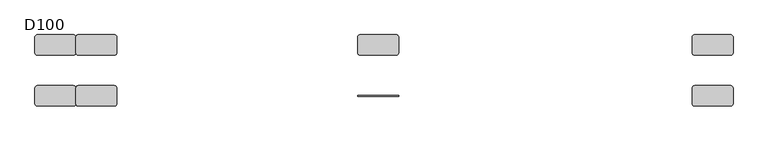
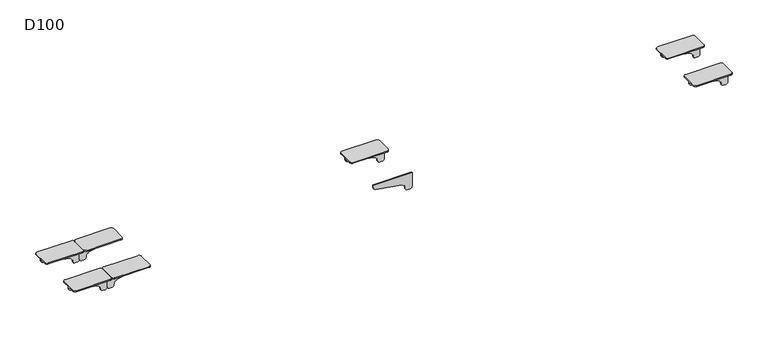
"""IFC4 building model written with IfcOpenShell, lengths in millimetres: furniture geometry, D100."""

from ifc_helpers import new_model, si_unit, point, frame, frame_2d, origin, place, context, project, spatial, polyline, circle_curve, trimmed, segment, composite_curve, outline, extrude, source, transform, mapped, element, save
from ifc_brep_helpers import plane_surface, cylinder_surface, revolved_surface, advanced_brep


def d100_f739d582(model_context):
    return source(origin(), model_context, "Body", "SolidModel", [
        extrude(outline(composite_curve([segment(trimmed(circle_curve(frame_2d((791.9986614, 950.0110687)), 30.0), [point((821.5334099, 955.2740174))], [point((791.3333097, 980.0036896))], True, "CARTESIAN"), True, "CONTINUOUS"), segment(trimmed(circle_curve(frame_2d((791.0006338, 995.0)), 15.0), [point((791.3333097, 980.0036896))], [point((776.0006338, 995.0))], False, "CARTESIAN"), True, "CONTINUOUS"), segment(polyline([(776.0006338, 995.0), (776.0006338, 1010.0)]), True, "CONTINUOUS"), segment(trimmed(circle_curve(frame_2d((791.0006338, 1010.0)), 15.0), [point((776.0006338, 1010.0))], [point((791.0006338, 1025.0))], False, "CARTESIAN"), True, "CONTINUOUS"), segment(polyline([(791.0006338, 1025.0), (886.0006338, 1025.0), (886.0006338, 765.0), (872.1904661, 765.0)]), True, "CONTINUOUS"), segment(trimmed(circle_curve(frame_2d((872.1904661, 785.0)), 20.0), [point((872.1904661, 765.0))], [point((852.5006338, 781.4913675))], False, "CARTESIAN"), True, "CONTINUOUS"), segment(polyline([(852.5006338, 781.4913675), (821.5334099, 955.2740174)]), True, "CONTINUOUS")], self_intersect=False)), frame((0.0, -165.2234902, 0.0), z_axis=(0.0, 1.0, 0.0), x_axis=(0.0, 0.0, 1.0)), (0.0, 0.0, 1.0), 6.0),
        extrude(outline(composite_curve([segment(polyline([(1009.0, 97.2234902), (781.0, 97.2234902)]), True, "CONTINUOUS"), segment(trimmed(circle_curve(frame_2d((781.0, 113.2234902)), 16.0), [point((781.0, 97.2234902))], [point((765.0, 113.2234902))], False, "CARTESIAN"), True, "CONTINUOUS"), segment(polyline([(765.0, 113.2234902), (765.0, 211.2234902)]), True, "CONTINUOUS"), segment(trimmed(circle_curve(frame_2d((781.0, 211.2234902)), 16.0), [point((765.0, 211.2234902))], [point((781.0, 227.2234902))], False, "CARTESIAN"), True, "CONTINUOUS"), segment(polyline([(781.0, 227.2234902), (1009.0, 227.2234902)]), True, "CONTINUOUS"), segment(trimmed(circle_curve(frame_2d((1009.0, 211.2234902)), 16.0), [point((1009.0, 227.2234902))], [point((1025.0, 211.2234902))], False, "CARTESIAN"), True, "CONTINUOUS"), segment(polyline([(1025.0, 211.2234902), (1025.0, 113.2234902)]), True, "CONTINUOUS"), segment(trimmed(circle_curve(frame_2d((1009.0, 113.2234902)), 16.0), [point((1025.0, 113.2234902))], [point((1009.0, 97.2234902))], False, "CARTESIAN"), True, "CONTINUOUS")], self_intersect=False)), frame((0.0, 0.0, 880.0006338), z_axis=(0.0, 0.0, 1.0), x_axis=(1.0, 0.0, 0.0)), (0.0, 0.0, 1.0), 6.0),
        extrude(outline(composite_curve([segment(trimmed(circle_curve(frame_2d((791.9986614, 950.0110687)), 30.0), [point((821.5334099, 955.2740174))], [point((791.3333097, 980.0036896))], True, "CARTESIAN"), True, "CONTINUOUS"), segment(trimmed(circle_curve(frame_2d((791.0006338, 995.0)), 15.0), [point((791.3333097, 980.0036896))], [point((776.0006338, 995.0))], False, "CARTESIAN"), True, "CONTINUOUS"), segment(polyline([(776.0006338, 995.0), (776.0006338, 1010.0)]), True, "CONTINUOUS"), segment(trimmed(circle_curve(frame_2d((791.0006338, 1010.0)), 15.0), [point((776.0006338, 1010.0))], [point((791.0006338, 1025.0))], False, "CARTESIAN"), True, "CONTINUOUS"), segment(polyline([(791.0006338, 1025.0), (886.0006338, 1025.0), (886.0006338, 765.0), (872.1904661, 765.0)]), True, "CONTINUOUS"), segment(trimmed(circle_curve(frame_2d((872.1904661, 785.0)), 20.0), [point((872.1904661, 765.0))], [point((852.5006338, 781.4913675))], False, "CARTESIAN"), True, "CONTINUOUS"), segment(polyline([(852.5006338, 781.4913675), (821.5334099, 955.2740174)]), True, "CONTINUOUS")], self_intersect=False)), frame((0.0, 159.2234902, 0.0), z_axis=(0.0, 1.0, 0.0), x_axis=(0.0, 0.0, 1.0)), (0.0, 0.0, 1.0), 6.0),
        advanced_brep(
        [(3079.2740174, -165.2234902, 821.5334099), (3104.0036896, -165.2234902, 791.3333097), (3119.0, -165.2234902, 776.0006338), (3134.0, -165.2234902, 776.0006338), (3149.0, -165.2234902, 791.0006338), (3149.0, -165.2234902, 880.0006338), (2889.0, -165.2234902, 880.0006338), (2889.0, -165.2234902, 872.1904661), (2905.4913675, -165.2234902, 852.5006338), (3079.2740174, -159.2234902, 821.5334099), (2905.4913675, -159.2234902, 852.5006338), (2889.0, -159.2234902, 872.1904661), (2889.0, -159.2234902, 880.0006338), (3149.0, -159.2234902, 880.0006338), (3149.0, -159.2234902, 791.0006338), (3134.0, -159.2234902, 776.0006338), (3119.0, -159.2234902, 776.0006338), (3104.0036896, -159.2234902, 791.3333097), (3149.0, -113.2234902, 880.0006338), (3149.0, -113.2234902, 886.0006338), (3149.0, -211.2234902, 886.0006338), (3149.0, -211.2234902, 880.0006338), (3133.0, -97.2234902, 886.0006338), (2905.0, -97.2234902, 886.0006338), (2889.0, -113.2234902, 886.0006338), (2889.0, -211.2234902, 886.0006338), (2905.0, -227.2234902, 886.0006338), (3133.0, -227.2234902, 886.0006338), (2889.0, -113.2234902, 880.0006338), (2889.0, -211.2234902, 880.0006338), (3133.0, -97.2234902, 880.0006338), (2905.0, -97.2234902, 880.0006338), (3133.0, -227.2234902, 880.0006338), (2905.0, -227.2234902, 880.0006338)],
        [
            (0, 1, circle_curve(frame((3074.0110687, -165.2234902, 791.9986614), z_axis=(0.0, 1.0, 0.0), x_axis=(1.0, 0.0, 0.0)), 30.0)),
            (1, 2, circle_curve(frame((3119.0, -165.2234902, 791.0006338), z_axis=(0.0, -1.0, 0.0), x_axis=(1.0, 0.0, 0.0)), 15.0)),
            (2, 3),
            (3, 4, circle_curve(frame((3134.0, -165.2234902, 791.0006338), z_axis=(0.0, -1.0, 0.0), x_axis=(1.0, 0.0, 0.0)), 15.0)),
            (4, 5),
            (5, 6),
            (6, 7),
            (7, 8, circle_curve(frame((2909.0, -165.2234902, 872.1904661), z_axis=(0.0, -1.0, 0.0), x_axis=(1.0, 0.0, 0.0)), 20.0)),
            (8, 0),
            (9, 10),
            (10, 11, circle_curve(frame((2909.0, -159.2234902, 872.1904661), z_axis=(0.0, 1.0, 0.0), x_axis=(1.0, 0.0, 0.0)), 20.0)),
            (11, 12),
            (12, 13),
            (13, 14),
            (14, 15, circle_curve(frame((3134.0, -159.2234902, 791.0006338), z_axis=(0.0, 1.0, 0.0), x_axis=(1.0, 0.0, 0.0)), 15.0)),
            (15, 16),
            (16, 17, circle_curve(frame((3119.0, -159.2234902, 791.0006338), z_axis=(0.0, 1.0, 0.0), x_axis=(1.0, 0.0, 0.0)), 15.0)),
            (17, 9, circle_curve(frame((3074.0110687, -159.2234902, 791.9986614), z_axis=(0.0, -1.0, 0.0), x_axis=(1.0, 0.0, 0.0)), 30.0)),
            (0, 9),
            (17, 1),
            (4, 14),
            (13, 18),
            (18, 19),
            (19, 20),
            (20, 21),
            (21, 5),
            (19, 22, circle_curve(frame((3133.0, -113.2234902, 886.0006338), z_axis=(0.0, 0.0, 1.0), x_axis=(-1.0, 0.0, 0.0)), 16.0)),
            (22, 23),
            (23, 24, circle_curve(frame((2905.0, -113.2234902, 886.0006338), z_axis=(0.0, 0.0, 1.0), x_axis=(-1.0, 0.0, 0.0)), 16.0)),
            (24, 25),
            (25, 26, circle_curve(frame((2905.0, -211.2234902, 886.0006338), z_axis=(0.0, 0.0, 1.0), x_axis=(-1.0, 0.0, 0.0)), 16.0)),
            (26, 27),
            (27, 20, circle_curve(frame((3133.0, -211.2234902, 886.0006338), z_axis=(0.0, 0.0, 1.0), x_axis=(-1.0, 0.0, 0.0)), 16.0)),
            (24, 28),
            (28, 12),
            (11, 7),
            (6, 29),
            (29, 25),
            (10, 8),
            (16, 2),
            (15, 3),
            (30, 18, circle_curve(frame((3133.0, -113.2234902, 880.0006338), z_axis=(0.0, 0.0, -1.0), x_axis=(-1.0, 0.0, 0.0)), 16.0)),
            (28, 31, circle_curve(frame((2905.0, -113.2234902, 880.0006338), z_axis=(0.0, 0.0, -1.0), x_axis=(-1.0, 0.0, 0.0)), 16.0)),
            (31, 30),
            (21, 32, circle_curve(frame((3133.0, -211.2234902, 880.0006338), z_axis=(0.0, 0.0, -1.0), x_axis=(-1.0, 0.0, 0.0)), 16.0)),
            (32, 33),
            (33, 29, circle_curve(frame((2905.0, -211.2234902, 880.0006338), z_axis=(0.0, 0.0, -1.0), x_axis=(-1.0, 0.0, 0.0)), 16.0)),
            (30, 22),
            (27, 32),
            (26, 33),
            (23, 31),
        ],
        [
            plane_surface(frame((3104.0110687, -165.2234902, 791.9986614), z_axis=(0.0, -1.0, 0.0), x_axis=(0.0, 0.0, -1.0))),
            plane_surface(frame((3104.0110687, -159.2234902, 791.9986614), z_axis=(0.0, 1.0, 0.0), x_axis=(0.0, 0.0, 1.0))),
            revolved_surface(polyline([(3104.0110687, -159.2234902, 791.9986614), (3104.0110687, -165.2234902, 791.9986614)]), (3074.0110687, -159.2234902, 791.9986614), (0.0, 1.0, 0.0)),
            plane_surface(frame((3149.0, -165.2234902, 791.0006338), z_axis=(1.0, 0.0, 0.0), x_axis=(0.0, 1.0, 0.0))),
            plane_surface(frame((3149.0, -165.2234902, 886.0006338), z_axis=(0.0, 0.0, 1.0), x_axis=(0.0, 1.0, 0.0))),
            plane_surface(frame((2889.0, -165.2234902, 886.0006338), z_axis=(-1.0, 0.0, 0.0), x_axis=(0.0, 1.0, 0.0))),
            cylinder_surface(frame((2909.0, -159.2234902, 872.1904661), z_axis=(0.0, -1.0, 0.0), x_axis=(1.0, 0.0, 0.0)), 20.0),
            plane_surface(frame((2905.4913675, -165.2234902, 852.5006338), z_axis=(-0.17543162299464815, 0.0, -0.9844916178685645), x_axis=(0.0, 1.0, 0.0))),
            cylinder_surface(frame((3119.0, -159.2234902, 791.0006338), z_axis=(0.0, -1.0, 0.0), x_axis=(1.0, 0.0, 0.0)), 15.0),
            plane_surface(frame((3119.0, -165.2234902, 776.0006338), z_axis=(0.0, 0.0, -1.0), x_axis=(0.0, 1.0, 0.0))),
            cylinder_surface(frame((3134.0, -159.2234902, 791.0006338), z_axis=(0.0, -1.0, 0.0), x_axis=(1.0, 0.0, 0.0)), 15.0),
            plane_surface(frame((2905.0, -97.2234902, 880.0006338), z_axis=(0.0, 0.0, -1.0), x_axis=(1.0, 0.0, 0.0))),
            cylinder_surface(frame((3133.0, -113.2234902, 880.0006338), z_axis=(0.0, 0.0, 1.0), x_axis=(-1.0, 0.0, 0.0)), 16.0),
            cylinder_surface(frame((3133.0, -211.2234902, 880.0006338), z_axis=(0.0, 0.0, 1.0), x_axis=(-1.0, 0.0, 0.0)), 16.0),
            plane_surface(frame((2905.0, -227.2234902, 886.0006338), z_axis=(0.0, -1.0, 0.0), x_axis=(0.0, 0.0, -1.0))),
            cylinder_surface(frame((2905.0, -211.2234902, 880.0006338), z_axis=(0.0, 0.0, 1.0), x_axis=(-1.0, 0.0, 0.0)), 16.0),
            cylinder_surface(frame((2905.0, -113.2234902, 880.0006338), z_axis=(0.0, 0.0, 1.0), x_axis=(-1.0, 0.0, 0.0)), 16.0),
            plane_surface(frame((3133.0, -97.2234902, 886.0006338), z_axis=(0.0, 1.0, 0.0), x_axis=(0.0, 0.0, -1.0))),
        ],
        [
            (0, [[1, 2, 3, 4, 5, 6, 7, 8, 9]]),
            (1, [[10, 11, 12, 13, 14, 15, 16, 17, 18]]),
            (2, [[-1, 19, -18, 20]]),
            (3, [[21, -14, 22, 23, 24, 25, 26, -5]]),
            (4, [[-24, 27, 28, 29, 30, 31, 32, 33]]),
            (5, [[-30, 34, 35, -12, 36, -7, 37, 38]]),
            (6, [[-8, -36, -11, 39]]),
            (7, [[-9, -39, -10, -19]]),
            (8, [[-2, -20, -17, 40]]),
            (9, [[-3, -40, -16, 41]]),
            (10, [[-4, -41, -15, -21]]),
            (11, [[42, -22, -13, -35, 43, 44]]),
            (11, [[45, 46, 47, -37, -6, -26]]),
            (12, [[-27, -23, -42, 48]]),
            (13, [[-33, 49, -45, -25]]),
            (14, [[-32, 50, -46, -49]]),
            (15, [[-31, -38, -47, -50]]),
            (16, [[-29, 51, -43, -34]]),
            (17, [[-28, -48, -44, -51]]),
        ],
    ),
        advanced_brep(
        [(3079.2740174, 165.2234902, 821.5334099), (2905.4913675, 165.2234902, 852.5006338), (2889.0, 165.2234902, 872.1904661), (2889.0, 165.2234902, 880.0006338), (3149.0, 165.2234902, 880.0006338), (3149.0, 165.2234902, 791.0006338), (3134.0, 165.2234902, 776.0006338), (3119.0, 165.2234902, 776.0006338), (3104.0036896, 165.2234902, 791.3333097), (3079.2740174, 159.2234902, 821.5334099), (3104.0036896, 159.2234902, 791.3333097), (3119.0, 159.2234902, 776.0006338), (3134.0, 159.2234902, 776.0006338), (3149.0, 159.2234902, 791.0006338), (3149.0, 159.2234902, 880.0006338), (2889.0, 159.2234902, 880.0006338), (2889.0, 159.2234902, 872.1904661), (2905.4913675, 159.2234902, 852.5006338), (3149.0, 113.2234902, 886.0006338), (3149.0, 113.2234902, 880.0006338), (3149.0, 211.2234902, 880.0006338), (3149.0, 211.2234902, 886.0006338), (3133.0, 227.2234902, 886.0006338), (2905.0, 227.2234902, 886.0006338), (2889.0, 211.2234902, 886.0006338), (2889.0, 113.2234902, 886.0006338), (2905.0, 97.2234902, 886.0006338), (3133.0, 97.2234902, 886.0006338), (2889.0, 211.2234902, 880.0006338), (2889.0, 113.2234902, 880.0006338), (3133.0, 97.2234902, 880.0006338), (2905.0, 97.2234902, 880.0006338), (2905.0, 227.2234902, 880.0006338), (3133.0, 227.2234902, 880.0006338)],
        [
            (0, 1),
            (1, 2, circle_curve(frame((2909.0, 165.2234902, 872.1904661), z_axis=(0.0, 1.0, 0.0), x_axis=(1.0, 0.0, 0.0)), 20.0)),
            (2, 3),
            (3, 4),
            (4, 5),
            (5, 6, circle_curve(frame((3134.0, 165.2234902, 791.0006338), z_axis=(0.0, 1.0, 0.0), x_axis=(1.0, 0.0, 0.0)), 15.0)),
            (6, 7),
            (7, 8, circle_curve(frame((3119.0, 165.2234902, 791.0006338), z_axis=(0.0, 1.0, 0.0), x_axis=(1.0, 0.0, 0.0)), 15.0)),
            (8, 0, circle_curve(frame((3074.0110687, 165.2234902, 791.9986614), z_axis=(0.0, -1.0, 0.0), x_axis=(1.0, 0.0, 0.0)), 30.0)),
            (9, 10, circle_curve(frame((3074.0110687, 159.2234902, 791.9986614), z_axis=(0.0, 1.0, 0.0), x_axis=(1.0, 0.0, 0.0)), 30.0)),
            (10, 11, circle_curve(frame((3119.0, 159.2234902, 791.0006338), z_axis=(0.0, -1.0, 0.0), x_axis=(1.0, 0.0, 0.0)), 15.0)),
            (11, 12),
            (12, 13, circle_curve(frame((3134.0, 159.2234902, 791.0006338), z_axis=(0.0, -1.0, 0.0), x_axis=(1.0, 0.0, 0.0)), 15.0)),
            (13, 14),
            (14, 15),
            (15, 16),
            (16, 17, circle_curve(frame((2909.0, 159.2234902, 872.1904661), z_axis=(0.0, -1.0, 0.0), x_axis=(1.0, 0.0, 0.0)), 20.0)),
            (17, 9),
            (8, 10),
            (9, 0),
            (18, 19),
            (19, 14),
            (13, 5),
            (4, 20),
            (20, 21),
            (21, 18),
            (21, 22, circle_curve(frame((3133.0, 211.2234902, 886.0006338), z_axis=(0.0, 0.0, 1.0), x_axis=(-1.0, 0.0, 0.0)), 16.0)),
            (22, 23),
            (23, 24, circle_curve(frame((2905.0, 211.2234902, 886.0006338), z_axis=(0.0, 0.0, 1.0), x_axis=(-1.0, 0.0, 0.0)), 16.0)),
            (24, 25),
            (25, 26, circle_curve(frame((2905.0, 113.2234902, 886.0006338), z_axis=(0.0, 0.0, 1.0), x_axis=(-1.0, 0.0, 0.0)), 16.0)),
            (26, 27),
            (27, 18, circle_curve(frame((3133.0, 113.2234902, 886.0006338), z_axis=(0.0, 0.0, 1.0), x_axis=(-1.0, 0.0, 0.0)), 16.0)),
            (24, 28),
            (28, 3),
            (2, 16),
            (15, 29),
            (29, 25),
            (1, 17),
            (7, 11),
            (6, 12),
            (30, 31),
            (31, 29, circle_curve(frame((2905.0, 113.2234902, 880.0006338), z_axis=(0.0, 0.0, -1.0), x_axis=(-1.0, 0.0, 0.0)), 16.0)),
            (19, 30, circle_curve(frame((3133.0, 113.2234902, 880.0006338), z_axis=(0.0, 0.0, -1.0), x_axis=(-1.0, 0.0, 0.0)), 16.0)),
            (28, 32, circle_curve(frame((2905.0, 211.2234902, 880.0006338), z_axis=(0.0, 0.0, -1.0), x_axis=(-1.0, 0.0, 0.0)), 16.0)),
            (32, 33),
            (33, 20, circle_curve(frame((3133.0, 211.2234902, 880.0006338), z_axis=(0.0, 0.0, -1.0), x_axis=(-1.0, 0.0, 0.0)), 16.0)),
            (27, 30),
            (33, 22),
            (32, 23),
            (31, 26),
        ],
        [
            plane_surface(frame((2905.4913675, 165.2234902, 852.5006338), z_axis=(0.0, 1.0, 0.0), x_axis=(-0.9844916178685639, 0.0, 0.17543162299465165))),
            plane_surface(frame((2905.4913675, 159.2234902, 852.5006338), z_axis=(0.0, -1.0, 0.0), x_axis=(0.9844916178685639, 0.0, -0.17543162299465165))),
            revolved_surface(polyline([(3104.0110687, 159.2234902, 791.9986614), (3104.0110687, 165.2234902, 791.9986614)]), (3074.0110687, 159.2234902, 791.9986614), (0.0, -1.0, 0.0)),
            plane_surface(frame((3149.0, 165.2234902, 886.0006338), z_axis=(1.0, 0.0, 0.0), x_axis=(0.0, -1.0, 0.0))),
            plane_surface(frame((2889.0, 165.2234902, 886.0006338), z_axis=(0.0, 0.0, 1.0), x_axis=(0.0, -1.0, 0.0))),
            plane_surface(frame((2889.0, 165.2234902, 872.1904661), z_axis=(-1.0, 0.0, 0.0), x_axis=(0.0, -1.0, 0.0))),
            cylinder_surface(frame((2909.0, 159.2234902, 872.1904661), z_axis=(0.0, 1.0, 0.0), x_axis=(1.0, 0.0, 0.0)), 20.0),
            plane_surface(frame((3079.2740174, 165.2234902, 821.5334099), z_axis=(-0.17543162299465165, 0.0, -0.9844916178685639), x_axis=(0.0, -1.0, 0.0))),
            cylinder_surface(frame((3119.0, 159.2234902, 791.0006338), z_axis=(0.0, 1.0, 0.0), x_axis=(1.0, 0.0, 0.0)), 15.0),
            plane_surface(frame((3134.0, 165.2234902, 776.0006338), z_axis=(0.0, 0.0, -1.0), x_axis=(0.0, -1.0, 0.0))),
            cylinder_surface(frame((3134.0, 159.2234902, 791.0006338), z_axis=(0.0, 1.0, 0.0), x_axis=(1.0, 0.0, 0.0)), 15.0),
            plane_surface(frame((3117.0, 113.2234902, 880.0006338), z_axis=(0.0, 0.0, -1.0), x_axis=(0.0, 1.0, 0.0))),
            cylinder_surface(frame((3133.0, 113.2234902, 880.0006338), z_axis=(0.0, 0.0, 1.0), x_axis=(-1.0, 0.0, 0.0)), 16.0),
            cylinder_surface(frame((3133.0, 211.2234902, 880.0006338), z_axis=(0.0, 0.0, 1.0), x_axis=(-1.0, 0.0, 0.0)), 16.0),
            plane_surface(frame((3133.0, 227.2234902, 886.0006338), z_axis=(0.0, 1.0, 0.0), x_axis=(0.0, 0.0, -1.0))),
            cylinder_surface(frame((2905.0, 211.2234902, 880.0006338), z_axis=(0.0, 0.0, 1.0), x_axis=(-1.0, 0.0, 0.0)), 16.0),
            cylinder_surface(frame((2905.0, 113.2234902, 880.0006338), z_axis=(0.0, 0.0, 1.0), x_axis=(-1.0, 0.0, 0.0)), 16.0),
            plane_surface(frame((2905.0, 97.2234902, 886.0006338), z_axis=(0.0, -1.0, 0.0), x_axis=(0.0, 0.0, -1.0))),
        ],
        [
            (0, [[1, 2, 3, 4, 5, 6, 7, 8, 9]]),
            (1, [[10, 11, 12, 13, 14, 15, 16, 17, 18]]),
            (2, [[-9, 19, -10, 20]]),
            (3, [[21, 22, -14, 23, -5, 24, 25, 26]]),
            (4, [[-26, 27, 28, 29, 30, 31, 32, 33]]),
            (5, [[-30, 34, 35, -3, 36, -16, 37, 38]]),
            (6, [[-2, 39, -17, -36]]),
            (7, [[-1, -20, -18, -39]]),
            (8, [[-8, 40, -11, -19]]),
            (9, [[-7, 41, -12, -40]]),
            (10, [[-6, -23, -13, -41]]),
            (11, [[42, 43, -37, -15, -22, 44]]),
            (11, [[45, 46, 47, -24, -4, -35]]),
            (12, [[-33, 48, -44, -21]]),
            (13, [[-27, -25, -47, 49]]),
            (14, [[-28, -49, -46, 50]]),
            (15, [[-29, -50, -45, -34]]),
            (16, [[-31, -38, -43, 51]]),
            (17, [[-32, -51, -42, -48]]),
        ],
    ),
        advanced_brep(
        [(-955.2740174, 165.2234902, 821.5334099), (-980.0036896, 165.2234902, 791.3333097), (-995.0, 165.2234902, 776.0006338), (-1010.0, 165.2234902, 776.0006338), (-1025.0, 165.2234902, 791.0006338), (-1025.0, 165.2234902, 880.0006338), (-765.0, 165.2234902, 880.0006338), (-765.0, 165.2234902, 872.1904661), (-781.4913675, 165.2234902, 852.5006338), (-955.2740174, 159.2234902, 821.5334099), (-781.4913675, 159.2234902, 852.5006338), (-765.0, 159.2234902, 872.1904661), (-765.0, 159.2234902, 880.0006338), (-1025.0, 159.2234902, 880.0006338), (-1025.0, 159.2234902, 791.0006338), (-1010.0, 159.2234902, 776.0006338), (-995.0, 159.2234902, 776.0006338), (-980.0036896, 159.2234902, 791.3333097), (-1025.0, 113.2234902, 880.0006338), (-1025.0, 113.2234902, 886.0006338), (-1025.0, 211.2234902, 886.0006338), (-1025.0, 211.2234902, 880.0006338), (-1009.0, 97.2234902, 886.0006338), (-781.0, 97.2234902, 886.0006338), (-765.0, 113.2234902, 886.0006338), (-765.0, 211.2234902, 886.0006338), (-781.0, 227.2234902, 886.0006338), (-1009.0, 227.2234902, 886.0006338), (-765.0, 113.2234902, 880.0006338), (-765.0, 211.2234902, 880.0006338), (-1009.0, 97.2234902, 880.0006338), (-781.0, 97.2234902, 880.0006338), (-1009.0, 227.2234902, 880.0006338), (-781.0, 227.2234902, 880.0006338)],
        [
            (0, 1, circle_curve(frame((-950.0110687, 165.2234902, 791.9986614), z_axis=(0.0, -1.0, 0.0), x_axis=(-1.0, 0.0, 0.0)), 30.0)),
            (1, 2, circle_curve(frame((-995.0, 165.2234902, 791.0006338), z_axis=(0.0, 1.0, 0.0), x_axis=(-1.0, 0.0, 0.0)), 15.0)),
            (2, 3),
            (3, 4, circle_curve(frame((-1010.0, 165.2234902, 791.0006338), z_axis=(0.0, 1.0, 0.0), x_axis=(-1.0, 0.0, 0.0)), 15.0)),
            (4, 5),
            (5, 6),
            (6, 7),
            (7, 8, circle_curve(frame((-785.0, 165.2234902, 872.1904661), z_axis=(0.0, 1.0, 0.0), x_axis=(-1.0, 0.0, 0.0)), 20.0)),
            (8, 0),
            (9, 10),
            (10, 11, circle_curve(frame((-785.0, 159.2234902, 872.1904661), z_axis=(0.0, -1.0, 0.0), x_axis=(-1.0, 0.0, 0.0)), 20.0)),
            (11, 12),
            (12, 13),
            (13, 14),
            (14, 15, circle_curve(frame((-1010.0, 159.2234902, 791.0006338), z_axis=(0.0, -1.0, 0.0), x_axis=(-1.0, 0.0, 0.0)), 15.0)),
            (15, 16),
            (16, 17, circle_curve(frame((-995.0, 159.2234902, 791.0006338), z_axis=(0.0, -1.0, 0.0), x_axis=(-1.0, 0.0, 0.0)), 15.0)),
            (17, 9, circle_curve(frame((-950.0110687, 159.2234902, 791.9986614), z_axis=(0.0, 1.0, 0.0), x_axis=(-1.0, 0.0, 0.0)), 30.0)),
            (0, 9),
            (17, 1),
            (4, 14),
            (13, 18),
            (18, 19),
            (19, 20),
            (20, 21),
            (21, 5),
            (19, 22, circle_curve(frame((-1009.0, 113.2234902, 886.0006338), z_axis=(0.0, 0.0, 1.0), x_axis=(1.0, 0.0, 0.0)), 16.0)),
            (22, 23),
            (23, 24, circle_curve(frame((-781.0, 113.2234902, 886.0006338), z_axis=(0.0, 0.0, 1.0), x_axis=(1.0, 0.0, 0.0)), 16.0)),
            (24, 25),
            (25, 26, circle_curve(frame((-781.0, 211.2234902, 886.0006338), z_axis=(0.0, 0.0, 1.0), x_axis=(1.0, 0.0, 0.0)), 16.0)),
            (26, 27),
            (27, 20, circle_curve(frame((-1009.0, 211.2234902, 886.0006338), z_axis=(0.0, 0.0, 1.0), x_axis=(1.0, 0.0, 0.0)), 16.0)),
            (24, 28),
            (28, 12),
            (11, 7),
            (6, 29),
            (29, 25),
            (10, 8),
            (16, 2),
            (15, 3),
            (30, 18, circle_curve(frame((-1009.0, 113.2234902, 880.0006338), z_axis=(0.0, 0.0, -1.0), x_axis=(1.0, 0.0, 0.0)), 16.0)),
            (28, 31, circle_curve(frame((-781.0, 113.2234902, 880.0006338), z_axis=(0.0, 0.0, -1.0), x_axis=(1.0, 0.0, 0.0)), 16.0)),
            (31, 30),
            (21, 32, circle_curve(frame((-1009.0, 211.2234902, 880.0006338), z_axis=(0.0, 0.0, -1.0), x_axis=(1.0, 0.0, 0.0)), 16.0)),
            (32, 33),
            (33, 29, circle_curve(frame((-781.0, 211.2234902, 880.0006338), z_axis=(0.0, 0.0, -1.0), x_axis=(1.0, 0.0, 0.0)), 16.0)),
            (30, 22),
            (27, 32),
            (26, 33),
            (23, 31),
        ],
        [
            plane_surface(frame((-980.0110687, 165.2234902, 791.9986614), z_axis=(0.0, 1.0, 0.0), x_axis=(0.0, 0.0, -1.0))),
            plane_surface(frame((-980.0110687, 159.2234902, 791.9986614), z_axis=(0.0, -1.0, 0.0), x_axis=(0.0, 0.0, 1.0))),
            revolved_surface(polyline([(-980.0110687, 159.2234902, 791.9986614), (-980.0110687, 165.2234902, 791.9986614)]), (-950.0110687, 159.2234902, 791.9986614), (0.0, -1.0, 0.0)),
            plane_surface(frame((-1025.0, 165.2234902, 791.0006338), z_axis=(-1.0, 0.0, 0.0), x_axis=(0.0, -1.0, 0.0))),
            plane_surface(frame((-1025.0, 165.2234902, 886.0006338), z_axis=(0.0, 0.0, 1.0), x_axis=(0.0, -1.0, 0.0))),
            plane_surface(frame((-765.0, 165.2234902, 886.0006338), z_axis=(1.0, 0.0, 0.0), x_axis=(0.0, -1.0, 0.0))),
            cylinder_surface(frame((-785.0, 159.2234902, 872.1904661), z_axis=(0.0, 1.0, 0.0), x_axis=(-1.0, 0.0, 0.0)), 20.0),
            plane_surface(frame((-781.4913675, 165.2234902, 852.5006338), z_axis=(0.17543162299465093, 0.0, -0.9844916178685641), x_axis=(0.0, -1.0, 0.0))),
            cylinder_surface(frame((-995.0, 159.2234902, 791.0006338), z_axis=(0.0, 1.0, 0.0), x_axis=(-1.0, 0.0, 0.0)), 15.0),
            plane_surface(frame((-995.0, 165.2234902, 776.0006338), z_axis=(0.0, 0.0, -1.0), x_axis=(0.0, -1.0, 0.0))),
            cylinder_surface(frame((-1010.0, 159.2234902, 791.0006338), z_axis=(0.0, 1.0, 0.0), x_axis=(-1.0, 0.0, 0.0)), 15.0),
            plane_surface(frame((-781.0, 97.2234902, 880.0006338), z_axis=(0.0, 0.0, -1.0), x_axis=(-1.0, 0.0, 0.0))),
            cylinder_surface(frame((-1009.0, 113.2234902, 880.0006338), z_axis=(0.0, 0.0, 1.0), x_axis=(1.0, 0.0, 0.0)), 16.0),
            cylinder_surface(frame((-1009.0, 211.2234902, 880.0006338), z_axis=(0.0, 0.0, 1.0), x_axis=(1.0, 0.0, 0.0)), 16.0),
            plane_surface(frame((-781.0, 227.2234902, 886.0006338), z_axis=(0.0, 1.0, 0.0), x_axis=(0.0, 0.0, -1.0))),
            cylinder_surface(frame((-781.0, 211.2234902, 880.0006338), z_axis=(0.0, 0.0, 1.0), x_axis=(1.0, 0.0, 0.0)), 16.0),
            cylinder_surface(frame((-781.0, 113.2234902, 880.0006338), z_axis=(0.0, 0.0, 1.0), x_axis=(1.0, 0.0, 0.0)), 16.0),
            plane_surface(frame((-1009.0, 97.2234902, 886.0006338), z_axis=(0.0, -1.0, 0.0), x_axis=(0.0, 0.0, -1.0))),
        ],
        [
            (0, [[1, 2, 3, 4, 5, 6, 7, 8, 9]]),
            (1, [[10, 11, 12, 13, 14, 15, 16, 17, 18]]),
            (2, [[-1, 19, -18, 20]]),
            (3, [[21, -14, 22, 23, 24, 25, 26, -5]]),
            (4, [[-24, 27, 28, 29, 30, 31, 32, 33]]),
            (5, [[-30, 34, 35, -12, 36, -7, 37, 38]]),
            (6, [[-8, -36, -11, 39]]),
            (7, [[-9, -39, -10, -19]]),
            (8, [[-2, -20, -17, 40]]),
            (9, [[-3, -40, -16, 41]]),
            (10, [[-4, -41, -15, -21]]),
            (11, [[42, -22, -13, -35, 43, 44]]),
            (11, [[45, 46, 47, -37, -6, -26]]),
            (12, [[-27, -23, -42, 48]]),
            (13, [[-33, 49, -45, -25]]),
            (14, [[-32, 50, -46, -49]]),
            (15, [[-31, -38, -47, -50]]),
            (16, [[-29, 51, -43, -34]]),
            (17, [[-28, -48, -44, -51]]),
        ],
    ),
        advanced_brep(
        [(-955.2740174, -165.2234902, 821.5334099), (-781.4913675, -165.2234902, 852.5006338), (-765.0, -165.2234902, 872.1904661), (-765.0, -165.2234902, 880.0006338), (-1025.0, -165.2234902, 880.0006338), (-1025.0, -165.2234902, 791.0006338), (-1010.0, -165.2234902, 776.0006338), (-995.0, -165.2234902, 776.0006338), (-980.0036896, -165.2234902, 791.3333097), (-955.2740174, -159.2234902, 821.5334099), (-980.0036896, -159.2234902, 791.3333097), (-995.0, -159.2234902, 776.0006338), (-1010.0, -159.2234902, 776.0006338), (-1025.0, -159.2234902, 791.0006338), (-1025.0, -159.2234902, 880.0006338), (-765.0, -159.2234902, 880.0006338), (-765.0, -159.2234902, 872.1904661), (-781.4913675, -159.2234902, 852.5006338), (-1025.0, -113.2234902, 886.0006338), (-1025.0, -113.2234902, 880.0006338), (-1025.0, -211.2234902, 880.0006338), (-1025.0, -211.2234902, 886.0006338), (-1009.0, -227.2234902, 886.0006338), (-781.0, -227.2234902, 886.0006338), (-765.0, -211.2234902, 886.0006338), (-765.0, -113.2234902, 886.0006338), (-781.0, -97.2234902, 886.0006338), (-1009.0, -97.2234902, 886.0006338), (-765.0, -211.2234902, 880.0006338), (-765.0, -113.2234902, 880.0006338), (-1009.0, -97.2234902, 880.0006338), (-781.0, -97.2234902, 880.0006338), (-781.0, -227.2234902, 880.0006338), (-1009.0, -227.2234902, 880.0006338)],
        [
            (0, 1),
            (1, 2, circle_curve(frame((-785.0, -165.2234902, 872.1904661), z_axis=(0.0, -1.0, 0.0), x_axis=(-1.0, 0.0, 0.0)), 20.0)),
            (2, 3),
            (3, 4),
            (4, 5),
            (5, 6, circle_curve(frame((-1010.0, -165.2234902, 791.0006338), z_axis=(0.0, -1.0, 0.0), x_axis=(-1.0, 0.0, 0.0)), 15.0)),
            (6, 7),
            (7, 8, circle_curve(frame((-995.0, -165.2234902, 791.0006338), z_axis=(0.0, -1.0, 0.0), x_axis=(-1.0, 0.0, 0.0)), 15.0)),
            (8, 0, circle_curve(frame((-950.0110687, -165.2234902, 791.9986614), z_axis=(0.0, 1.0, 0.0), x_axis=(-1.0, 0.0, 0.0)), 30.0)),
            (9, 10, circle_curve(frame((-950.0110687, -159.2234902, 791.9986614), z_axis=(0.0, -1.0, 0.0), x_axis=(-1.0, 0.0, 0.0)), 30.0)),
            (10, 11, circle_curve(frame((-995.0, -159.2234902, 791.0006338), z_axis=(0.0, 1.0, 0.0), x_axis=(-1.0, 0.0, 0.0)), 15.0)),
            (11, 12),
            (12, 13, circle_curve(frame((-1010.0, -159.2234902, 791.0006338), z_axis=(0.0, 1.0, 0.0), x_axis=(-1.0, 0.0, 0.0)), 15.0)),
            (13, 14),
            (14, 15),
            (15, 16),
            (16, 17, circle_curve(frame((-785.0, -159.2234902, 872.1904661), z_axis=(0.0, 1.0, 0.0), x_axis=(-1.0, 0.0, 0.0)), 20.0)),
            (17, 9),
            (8, 10),
            (9, 0),
            (18, 19),
            (19, 14),
            (13, 5),
            (4, 20),
            (20, 21),
            (21, 18),
            (21, 22, circle_curve(frame((-1009.0, -211.2234902, 886.0006338), z_axis=(0.0, 0.0, 1.0), x_axis=(1.0, 0.0, 0.0)), 16.0)),
            (22, 23),
            (23, 24, circle_curve(frame((-781.0, -211.2234902, 886.0006338), z_axis=(0.0, 0.0, 1.0), x_axis=(1.0, 0.0, 0.0)), 16.0)),
            (24, 25),
            (25, 26, circle_curve(frame((-781.0, -113.2234902, 886.0006338), z_axis=(0.0, 0.0, 1.0), x_axis=(1.0, 0.0, 0.0)), 16.0)),
            (26, 27),
            (27, 18, circle_curve(frame((-1009.0, -113.2234902, 886.0006338), z_axis=(0.0, 0.0, 1.0), x_axis=(1.0, 0.0, 0.0)), 16.0)),
            (24, 28),
            (28, 3),
            (2, 16),
            (15, 29),
            (29, 25),
            (1, 17),
            (7, 11),
            (6, 12),
            (30, 31),
            (31, 29, circle_curve(frame((-781.0, -113.2234902, 880.0006338), z_axis=(0.0, 0.0, -1.0), x_axis=(1.0, 0.0, 0.0)), 16.0)),
            (19, 30, circle_curve(frame((-1009.0, -113.2234902, 880.0006338), z_axis=(0.0, 0.0, -1.0), x_axis=(1.0, 0.0, 0.0)), 16.0)),
            (28, 32, circle_curve(frame((-781.0, -211.2234902, 880.0006338), z_axis=(0.0, 0.0, -1.0), x_axis=(1.0, 0.0, 0.0)), 16.0)),
            (32, 33),
            (33, 20, circle_curve(frame((-1009.0, -211.2234902, 880.0006338), z_axis=(0.0, 0.0, -1.0), x_axis=(1.0, 0.0, 0.0)), 16.0)),
            (27, 30),
            (33, 22),
            (32, 23),
            (31, 26),
        ],
        [
            plane_surface(frame((-781.4913675, -165.2234902, 852.5006338), z_axis=(0.0, -1.0000000000000002, 0.0), x_axis=(0.9844916178685641, 0.0, 0.17543162299465093))),
            plane_surface(frame((-781.4913675, -159.2234902, 852.5006338), z_axis=(0.0, 1.0000000000000002, 0.0), x_axis=(-0.9844916178685641, 0.0, -0.17543162299465093))),
            revolved_surface(polyline([(-980.0110687, -159.2234902, 791.9986614), (-980.0110687, -165.2234902, 791.9986614)]), (-950.0110687, -159.2234902, 791.9986614), (0.0, 1.0, 0.0)),
            plane_surface(frame((-1025.0, -165.2234902, 886.0006338), z_axis=(-1.0, 0.0, 0.0), x_axis=(0.0, 1.0, 0.0))),
            plane_surface(frame((-765.0, -165.2234902, 886.0006338), z_axis=(0.0, 0.0, 1.0), x_axis=(0.0, 1.0, 0.0))),
            plane_surface(frame((-765.0, -165.2234902, 872.1904661), z_axis=(1.0, 0.0, 0.0), x_axis=(0.0, 1.0, 0.0))),
            cylinder_surface(frame((-785.0, -159.2234902, 872.1904661), z_axis=(0.0, -1.0, 0.0), x_axis=(-1.0, 0.0, 0.0)), 20.0),
            plane_surface(frame((-955.2740174, -165.2234902, 821.5334099), z_axis=(0.17543162299465093, 0.0, -0.9844916178685641), x_axis=(0.0, 1.0, 0.0))),
            cylinder_surface(frame((-995.0, -159.2234902, 791.0006338), z_axis=(0.0, -1.0, 0.0), x_axis=(-1.0, 0.0, 0.0)), 15.0),
            plane_surface(frame((-1010.0, -165.2234902, 776.0006338), z_axis=(0.0, 0.0, -1.0), x_axis=(0.0, 1.0, 0.0))),
            cylinder_surface(frame((-1010.0, -159.2234902, 791.0006338), z_axis=(0.0, -1.0, 0.0), x_axis=(-1.0, 0.0, 0.0)), 15.0),
            plane_surface(frame((-993.0, -113.2234902, 880.0006338), z_axis=(0.0, 0.0, -1.0), x_axis=(0.0, -1.0, 0.0))),
            cylinder_surface(frame((-1009.0, -113.2234902, 880.0006338), z_axis=(0.0, 0.0, 1.0), x_axis=(1.0, 0.0, 0.0)), 16.0),
            cylinder_surface(frame((-1009.0, -211.2234902, 880.0006338), z_axis=(0.0, 0.0, 1.0), x_axis=(1.0, 0.0, 0.0)), 16.0),
            plane_surface(frame((-1009.0, -227.2234902, 886.0006338), z_axis=(0.0, -1.0, 0.0), x_axis=(0.0, 0.0, -1.0))),
            cylinder_surface(frame((-781.0, -211.2234902, 880.0006338), z_axis=(0.0, 0.0, 1.0), x_axis=(1.0, 0.0, 0.0)), 16.0),
            cylinder_surface(frame((-781.0, -113.2234902, 880.0006338), z_axis=(0.0, 0.0, 1.0), x_axis=(1.0, 0.0, 0.0)), 16.0),
            plane_surface(frame((-781.0, -97.2234902, 886.0006338), z_axis=(0.0, 1.0, 0.0), x_axis=(0.0, 0.0, -1.0))),
        ],
        [
            (0, [[1, 2, 3, 4, 5, 6, 7, 8, 9]]),
            (1, [[10, 11, 12, 13, 14, 15, 16, 17, 18]]),
            (2, [[-9, 19, -10, 20]]),
            (3, [[21, 22, -14, 23, -5, 24, 25, 26]]),
            (4, [[-26, 27, 28, 29, 30, 31, 32, 33]]),
            (5, [[-30, 34, 35, -3, 36, -16, 37, 38]]),
            (6, [[-2, 39, -17, -36]]),
            (7, [[-1, -20, -18, -39]]),
            (8, [[-8, 40, -11, -19]]),
            (9, [[-7, 41, -12, -40]]),
            (10, [[-6, -23, -13, -41]]),
            (11, [[42, 43, -37, -15, -22, 44]]),
            (11, [[45, 46, 47, -24, -4, -35]]),
            (12, [[-33, 48, -44, -21]]),
            (13, [[-27, -25, -47, 49]]),
            (14, [[-28, -49, -46, 50]]),
            (15, [[-29, -50, -45, -34]]),
            (16, [[-31, -38, -43, 51]]),
            (17, [[-32, -51, -42, -48]]),
        ],
    ),
        advanced_brep(
        [(-1094.7259826, -165.2234902, 821.5334099), (-1069.9963104, -165.2234902, 791.3333097), (-1055.0, -165.2234902, 776.0006338), (-1040.0, -165.2234902, 776.0006338), (-1025.0, -165.2234902, 791.0006338), (-1025.0, -165.2234902, 880.0006338), (-1285.0, -165.2234902, 880.0006338), (-1285.0, -165.2234902, 872.1904661), (-1268.5086325, -165.2234902, 852.5006338), (-1094.7259826, -159.2234902, 821.5334099), (-1268.5086325, -159.2234902, 852.5006338), (-1285.0, -159.2234902, 872.1904661), (-1285.0, -159.2234902, 880.0006338), (-1025.0, -159.2234902, 880.0006338), (-1025.0, -159.2234902, 791.0006338), (-1040.0, -159.2234902, 776.0006338), (-1055.0, -159.2234902, 776.0006338), (-1069.9963104, -159.2234902, 791.3333097), (-1025.0, -113.2234902, 880.0006338), (-1025.0, -113.2234902, 886.0006338), (-1025.0, -211.2234902, 886.0006338), (-1025.0, -211.2234902, 880.0006338), (-1041.0, -97.2234902, 886.0006338), (-1269.0, -97.2234902, 886.0006338), (-1285.0, -113.2234902, 886.0006338), (-1285.0, -211.2234902, 886.0006338), (-1269.0, -227.2234902, 886.0006338), (-1041.0, -227.2234902, 886.0006338), (-1285.0, -113.2234902, 880.0006338), (-1285.0, -211.2234902, 880.0006338), (-1041.0, -97.2234902, 880.0006338), (-1269.0, -97.2234902, 880.0006338), (-1041.0, -227.2234902, 880.0006338), (-1269.0, -227.2234902, 880.0006338)],
        [
            (0, 1, circle_curve(frame((-1099.9889313, -165.2234902, 791.9986614), z_axis=(0.0, 1.0, 0.0), x_axis=(1.0, 0.0, 0.0)), 30.0)),
            (1, 2, circle_curve(frame((-1055.0, -165.2234902, 791.0006338), z_axis=(0.0, -1.0, 0.0), x_axis=(1.0, 0.0, 0.0)), 15.0)),
            (2, 3),
            (3, 4, circle_curve(frame((-1040.0, -165.2234902, 791.0006338), z_axis=(0.0, -1.0, 0.0), x_axis=(1.0, 0.0, 0.0)), 15.0)),
            (4, 5),
            (5, 6),
            (6, 7),
            (7, 8, circle_curve(frame((-1265.0, -165.2234902, 872.1904661), z_axis=(0.0, -1.0, 0.0), x_axis=(1.0, 0.0, 0.0)), 20.0)),
            (8, 0),
            (9, 10),
            (10, 11, circle_curve(frame((-1265.0, -159.2234902, 872.1904661), z_axis=(0.0, 1.0, 0.0), x_axis=(1.0, 0.0, 0.0)), 20.0)),
            (11, 12),
            (12, 13),
            (13, 14),
            (14, 15, circle_curve(frame((-1040.0, -159.2234902, 791.0006338), z_axis=(0.0, 1.0, 0.0), x_axis=(1.0, 0.0, 0.0)), 15.0)),
            (15, 16),
            (16, 17, circle_curve(frame((-1055.0, -159.2234902, 791.0006338), z_axis=(0.0, 1.0, 0.0), x_axis=(1.0, 0.0, 0.0)), 15.0)),
            (17, 9, circle_curve(frame((-1099.9889313, -159.2234902, 791.9986614), z_axis=(0.0, -1.0, 0.0), x_axis=(1.0, 0.0, 0.0)), 30.0)),
            (0, 9),
            (17, 1),
            (4, 14),
            (13, 18),
            (18, 19),
            (19, 20),
            (20, 21),
            (21, 5),
            (19, 22, circle_curve(frame((-1041.0, -113.2234902, 886.0006338), z_axis=(0.0, 0.0, 1.0), x_axis=(-1.0, 0.0, 0.0)), 16.0)),
            (22, 23),
            (23, 24, circle_curve(frame((-1269.0, -113.2234902, 886.0006338), z_axis=(0.0, 0.0, 1.0), x_axis=(-1.0, 0.0, 0.0)), 16.0)),
            (24, 25),
            (25, 26, circle_curve(frame((-1269.0, -211.2234902, 886.0006338), z_axis=(0.0, 0.0, 1.0), x_axis=(-1.0, 0.0, 0.0)), 16.0)),
            (26, 27),
            (27, 20, circle_curve(frame((-1041.0, -211.2234902, 886.0006338), z_axis=(0.0, 0.0, 1.0), x_axis=(-1.0, 0.0, 0.0)), 16.0)),
            (24, 28),
            (28, 12),
            (11, 7),
            (6, 29),
            (29, 25),
            (10, 8),
            (16, 2),
            (15, 3),
            (30, 18, circle_curve(frame((-1041.0, -113.2234902, 880.0006338), z_axis=(0.0, 0.0, -1.0), x_axis=(-1.0, 0.0, 0.0)), 16.0)),
            (28, 31, circle_curve(frame((-1269.0, -113.2234902, 880.0006338), z_axis=(0.0, 0.0, -1.0), x_axis=(-1.0, 0.0, 0.0)), 16.0)),
            (31, 30),
            (21, 32, circle_curve(frame((-1041.0, -211.2234902, 880.0006338), z_axis=(0.0, 0.0, -1.0), x_axis=(-1.0, 0.0, 0.0)), 16.0)),
            (32, 33),
            (33, 29, circle_curve(frame((-1269.0, -211.2234902, 880.0006338), z_axis=(0.0, 0.0, -1.0), x_axis=(-1.0, 0.0, 0.0)), 16.0)),
            (30, 22),
            (27, 32),
            (26, 33),
            (23, 31),
        ],
        [
            plane_surface(frame((-1069.9889313, -165.2234902, 791.9986614), z_axis=(0.0, -1.0, 0.0), x_axis=(0.0, 0.0, -1.0))),
            plane_surface(frame((-1069.9889313, -159.2234902, 791.9986614), z_axis=(0.0, 1.0, 0.0), x_axis=(0.0, 0.0, 1.0))),
            revolved_surface(polyline([(-1069.9889313, -159.2234902, 791.9986614), (-1069.9889313, -165.2234902, 791.9986614)]), (-1099.9889313, -159.2234902, 791.9986614), (0.0, 1.0, 0.0)),
            plane_surface(frame((-1025.0, -165.2234902, 791.0006338), z_axis=(1.0, 0.0, 0.0), x_axis=(0.0, 1.0, 0.0))),
            plane_surface(frame((-1025.0, -165.2234902, 886.0006338), z_axis=(0.0, 0.0, 1.0), x_axis=(0.0, 1.0, 0.0))),
            plane_surface(frame((-1285.0, -165.2234902, 886.0006338), z_axis=(-1.0, 0.0, 0.0), x_axis=(0.0, 1.0, 0.0))),
            cylinder_surface(frame((-1265.0, -159.2234902, 872.1904661), z_axis=(0.0, -1.0, 0.0), x_axis=(1.0, 0.0, 0.0)), 20.0),
            plane_surface(frame((-1268.5086325, -165.2234902, 852.5006338), z_axis=(-0.17543162299465107, 0.0, -0.9844916178685641), x_axis=(0.0, 1.0, 0.0))),
            cylinder_surface(frame((-1055.0, -159.2234902, 791.0006338), z_axis=(0.0, -1.0, 0.0), x_axis=(1.0, 0.0, 0.0)), 15.0),
            plane_surface(frame((-1055.0, -165.2234902, 776.0006338), z_axis=(0.0, 0.0, -1.0), x_axis=(0.0, 1.0, 0.0))),
            cylinder_surface(frame((-1040.0, -159.2234902, 791.0006338), z_axis=(0.0, -1.0, 0.0), x_axis=(1.0, 0.0, 0.0)), 15.0),
            plane_surface(frame((-1269.0, -97.2234902, 880.0006338), z_axis=(0.0, 0.0, -1.0), x_axis=(1.0, 0.0, 0.0))),
            cylinder_surface(frame((-1041.0, -113.2234902, 880.0006338), z_axis=(0.0, 0.0, 1.0), x_axis=(-1.0, 0.0, 0.0)), 16.0),
            cylinder_surface(frame((-1041.0, -211.2234902, 880.0006338), z_axis=(0.0, 0.0, 1.0), x_axis=(-1.0, 0.0, 0.0)), 16.0),
            plane_surface(frame((-1269.0, -227.2234902, 886.0006338), z_axis=(0.0, -1.0, 0.0), x_axis=(0.0, 0.0, -1.0))),
            cylinder_surface(frame((-1269.0, -211.2234902, 880.0006338), z_axis=(0.0, 0.0, 1.0), x_axis=(-1.0, 0.0, 0.0)), 16.0),
            cylinder_surface(frame((-1269.0, -113.2234902, 880.0006338), z_axis=(0.0, 0.0, 1.0), x_axis=(-1.0, 0.0, 0.0)), 16.0),
            plane_surface(frame((-1041.0, -97.2234902, 886.0006338), z_axis=(0.0, 1.0, 0.0), x_axis=(0.0, 0.0, -1.0))),
        ],
        [
            (0, [[1, 2, 3, 4, 5, 6, 7, 8, 9]]),
            (1, [[10, 11, 12, 13, 14, 15, 16, 17, 18]]),
            (2, [[-1, 19, -18, 20]]),
            (3, [[21, -14, 22, 23, 24, 25, 26, -5]]),
            (4, [[-24, 27, 28, 29, 30, 31, 32, 33]]),
            (5, [[-30, 34, 35, -12, 36, -7, 37, 38]]),
            (6, [[-8, -36, -11, 39]]),
            (7, [[-9, -39, -10, -19]]),
            (8, [[-2, -20, -17, 40]]),
            (9, [[-3, -40, -16, 41]]),
            (10, [[-4, -41, -15, -21]]),
            (11, [[42, -22, -13, -35, 43, 44]]),
            (11, [[45, 46, 47, -37, -6, -26]]),
            (12, [[-27, -23, -42, 48]]),
            (13, [[-33, 49, -45, -25]]),
            (14, [[-32, 50, -46, -49]]),
            (15, [[-31, -38, -47, -50]]),
            (16, [[-29, 51, -43, -34]]),
            (17, [[-28, -48, -44, -51]]),
        ],
    ),
        advanced_brep(
        [(-1094.7259826, 165.2234902, 821.5334099), (-1268.5086325, 165.2234902, 852.5006338), (-1285.0, 165.2234902, 872.1904661), (-1285.0, 165.2234902, 880.0006338), (-1025.0, 165.2234902, 880.0006338), (-1025.0, 165.2234902, 791.0006338), (-1040.0, 165.2234902, 776.0006338), (-1055.0, 165.2234902, 776.0006338), (-1069.9963104, 165.2234902, 791.3333097), (-1094.7259826, 159.2234902, 821.5334099), (-1069.9963104, 159.2234902, 791.3333097), (-1055.0, 159.2234902, 776.0006338), (-1040.0, 159.2234902, 776.0006338), (-1025.0, 159.2234902, 791.0006338), (-1025.0, 159.2234902, 880.0006338), (-1285.0, 159.2234902, 880.0006338), (-1285.0, 159.2234902, 872.1904661), (-1268.5086325, 159.2234902, 852.5006338), (-1025.0, 113.2234902, 886.0006338), (-1025.0, 113.2234902, 880.0006338), (-1025.0, 211.2234902, 880.0006338), (-1025.0, 211.2234902, 886.0006338), (-1041.0, 227.2234902, 886.0006338), (-1269.0, 227.2234902, 886.0006338), (-1285.0, 211.2234902, 886.0006338), (-1285.0, 113.2234902, 886.0006338), (-1269.0, 97.2234902, 886.0006338), (-1041.0, 97.2234902, 886.0006338), (-1285.0, 211.2234902, 880.0006338), (-1285.0, 113.2234902, 880.0006338), (-1041.0, 97.2234902, 880.0006338), (-1269.0, 97.2234902, 880.0006338), (-1269.0, 227.2234902, 880.0006338), (-1041.0, 227.2234902, 880.0006338)],
        [
            (0, 1),
            (1, 2, circle_curve(frame((-1265.0, 165.2234902, 872.1904661), z_axis=(0.0, 1.0, 0.0), x_axis=(1.0, 0.0, 0.0)), 20.0)),
            (2, 3),
            (3, 4),
            (4, 5),
            (5, 6, circle_curve(frame((-1040.0, 165.2234902, 791.0006338), z_axis=(0.0, 1.0, 0.0), x_axis=(1.0, 0.0, 0.0)), 15.0)),
            (6, 7),
            (7, 8, circle_curve(frame((-1055.0, 165.2234902, 791.0006338), z_axis=(0.0, 1.0, 0.0), x_axis=(1.0, 0.0, 0.0)), 15.0)),
            (8, 0, circle_curve(frame((-1099.9889313, 165.2234902, 791.9986614), z_axis=(0.0, -1.0, 0.0), x_axis=(1.0, 0.0, 0.0)), 30.0)),
            (9, 10, circle_curve(frame((-1099.9889313, 159.2234902, 791.9986614), z_axis=(0.0, 1.0, 0.0), x_axis=(1.0, 0.0, 0.0)), 30.0)),
            (10, 11, circle_curve(frame((-1055.0, 159.2234902, 791.0006338), z_axis=(0.0, -1.0, 0.0), x_axis=(1.0, 0.0, 0.0)), 15.0)),
            (11, 12),
            (12, 13, circle_curve(frame((-1040.0, 159.2234902, 791.0006338), z_axis=(0.0, -1.0, 0.0), x_axis=(1.0, 0.0, 0.0)), 15.0)),
            (13, 14),
            (14, 15),
            (15, 16),
            (16, 17, circle_curve(frame((-1265.0, 159.2234902, 872.1904661), z_axis=(0.0, -1.0, 0.0), x_axis=(1.0, 0.0, 0.0)), 20.0)),
            (17, 9),
            (8, 10),
            (9, 0),
            (18, 19),
            (19, 14),
            (13, 5),
            (4, 20),
            (20, 21),
            (21, 18),
            (21, 22, circle_curve(frame((-1041.0, 211.2234902, 886.0006338), z_axis=(0.0, 0.0, 1.0), x_axis=(-1.0, 0.0, 0.0)), 16.0)),
            (22, 23),
            (23, 24, circle_curve(frame((-1269.0, 211.2234902, 886.0006338), z_axis=(0.0, 0.0, 1.0), x_axis=(-1.0, 0.0, 0.0)), 16.0)),
            (24, 25),
            (25, 26, circle_curve(frame((-1269.0, 113.2234902, 886.0006338), z_axis=(0.0, 0.0, 1.0), x_axis=(-1.0, 0.0, 0.0)), 16.0)),
            (26, 27),
            (27, 18, circle_curve(frame((-1041.0, 113.2234902, 886.0006338), z_axis=(0.0, 0.0, 1.0), x_axis=(-1.0, 0.0, 0.0)), 16.0)),
            (24, 28),
            (28, 3),
            (2, 16),
            (15, 29),
            (29, 25),
            (1, 17),
            (7, 11),
            (6, 12),
            (30, 31),
            (31, 29, circle_curve(frame((-1269.0, 113.2234902, 880.0006338), z_axis=(0.0, 0.0, -1.0), x_axis=(-1.0, 0.0, 0.0)), 16.0)),
            (19, 30, circle_curve(frame((-1041.0, 113.2234902, 880.0006338), z_axis=(0.0, 0.0, -1.0), x_axis=(-1.0, 0.0, 0.0)), 16.0)),
            (28, 32, circle_curve(frame((-1269.0, 211.2234902, 880.0006338), z_axis=(0.0, 0.0, -1.0), x_axis=(-1.0, 0.0, 0.0)), 16.0)),
            (32, 33),
            (33, 20, circle_curve(frame((-1041.0, 211.2234902, 880.0006338), z_axis=(0.0, 0.0, -1.0), x_axis=(-1.0, 0.0, 0.0)), 16.0)),
            (27, 30),
            (33, 22),
            (32, 23),
            (31, 26),
        ],
        [
            plane_surface(frame((-1268.5086325, 165.2234902, 852.5006338), z_axis=(0.0, 1.0000000000000002, 0.0), x_axis=(-0.9844916178685641, 0.0, 0.17543162299465107))),
            plane_surface(frame((-1268.5086325, 159.2234902, 852.5006338), z_axis=(0.0, -1.0000000000000002, 0.0), x_axis=(0.9844916178685641, 0.0, -0.17543162299465107))),
            revolved_surface(polyline([(-1069.9889313, 159.2234902, 791.9986614), (-1069.9889313, 165.2234902, 791.9986614)]), (-1099.9889313, 159.2234902, 791.9986614), (0.0, -1.0, 0.0)),
            plane_surface(frame((-1025.0, 165.2234902, 886.0006338), z_axis=(1.0, 0.0, 0.0), x_axis=(0.0, -1.0, 0.0))),
            plane_surface(frame((-1285.0, 165.2234902, 886.0006338), z_axis=(0.0, 0.0, 1.0), x_axis=(0.0, -1.0, 0.0))),
            plane_surface(frame((-1285.0, 165.2234902, 872.1904661), z_axis=(-1.0, 0.0, 0.0), x_axis=(0.0, -1.0, 0.0))),
            cylinder_surface(frame((-1265.0, 159.2234902, 872.1904661), z_axis=(0.0, 1.0, 0.0), x_axis=(1.0, 0.0, 0.0)), 20.0),
            plane_surface(frame((-1094.7259826, 165.2234902, 821.5334099), z_axis=(-0.17543162299465107, 0.0, -0.9844916178685641), x_axis=(0.0, -1.0, 0.0))),
            cylinder_surface(frame((-1055.0, 159.2234902, 791.0006338), z_axis=(0.0, 1.0, 0.0), x_axis=(1.0, 0.0, 0.0)), 15.0),
            plane_surface(frame((-1040.0, 165.2234902, 776.0006338), z_axis=(0.0, 0.0, -1.0), x_axis=(0.0, -1.0, 0.0))),
            cylinder_surface(frame((-1040.0, 159.2234902, 791.0006338), z_axis=(0.0, 1.0, 0.0), x_axis=(1.0, 0.0, 0.0)), 15.0),
            plane_surface(frame((-1057.0, 113.2234902, 880.0006338), z_axis=(0.0, 0.0, -1.0), x_axis=(0.0, 1.0, 0.0))),
            cylinder_surface(frame((-1041.0, 113.2234902, 880.0006338), z_axis=(0.0, 0.0, 1.0), x_axis=(-1.0, 0.0, 0.0)), 16.0),
            cylinder_surface(frame((-1041.0, 211.2234902, 880.0006338), z_axis=(0.0, 0.0, 1.0), x_axis=(-1.0, 0.0, 0.0)), 16.0),
            plane_surface(frame((-1041.0, 227.2234902, 886.0006338), z_axis=(0.0, 1.0, 0.0), x_axis=(0.0, 0.0, -1.0))),
            cylinder_surface(frame((-1269.0, 211.2234902, 880.0006338), z_axis=(0.0, 0.0, 1.0), x_axis=(-1.0, 0.0, 0.0)), 16.0),
            cylinder_surface(frame((-1269.0, 113.2234902, 880.0006338), z_axis=(0.0, 0.0, 1.0), x_axis=(-1.0, 0.0, 0.0)), 16.0),
            plane_surface(frame((-1269.0, 97.2234902, 886.0006338), z_axis=(0.0, -1.0, 0.0), x_axis=(0.0, 0.0, -1.0))),
        ],
        [
            (0, [[1, 2, 3, 4, 5, 6, 7, 8, 9]]),
            (1, [[10, 11, 12, 13, 14, 15, 16, 17, 18]]),
            (2, [[-9, 19, -10, 20]]),
            (3, [[21, 22, -14, 23, -5, 24, 25, 26]]),
            (4, [[-26, 27, 28, 29, 30, 31, 32, 33]]),
            (5, [[-30, 34, 35, -3, 36, -16, 37, 38]]),
            (6, [[-2, 39, -17, -36]]),
            (7, [[-1, -20, -18, -39]]),
            (8, [[-8, 40, -11, -19]]),
            (9, [[-7, 41, -12, -40]]),
            (10, [[-6, -23, -13, -41]]),
            (11, [[42, 43, -37, -15, -22, 44]]),
            (11, [[45, 46, 47, -24, -4, -35]]),
            (12, [[-33, 48, -44, -21]]),
            (13, [[-27, -25, -47, 49]]),
            (14, [[-28, -49, -46, 50]]),
            (15, [[-29, -50, -45, -34]]),
            (16, [[-31, -38, -43, 51]]),
            (17, [[-32, -51, -42, -48]]),
        ],
    ),
    ])


if __name__ == "__main__":
    model = new_model("IFC4")
    model_context = context("Model", 3, world=origin())
    ifc_project = project(units=[si_unit("LENGTHUNIT", "METRE", prefix="MILLI")], contexts=[model_context])
    site = spatial("IfcSite", under=ifc_project)
    building = spatial("IfcBuilding", under=site)
    placement = place(None, origin())
    d100_shape = d100_f739d582(model_context)
    element("IfcFurniture", 1, ObjectType="D100", at=placement, inside=building, context=model_context, shape_type="MappedRepresentation", body=[
        mapped(d100_shape, transform((0.0, 0.0, 0.0), x_axis=(1.0, 0.0, 0.0), y_axis=(0.0, 1.0, 0.0), z_axis=(0.0, 0.0, 1.0))),
    ])
    save(model, "model.ifc")
